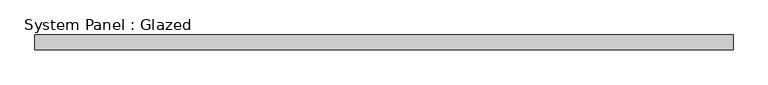
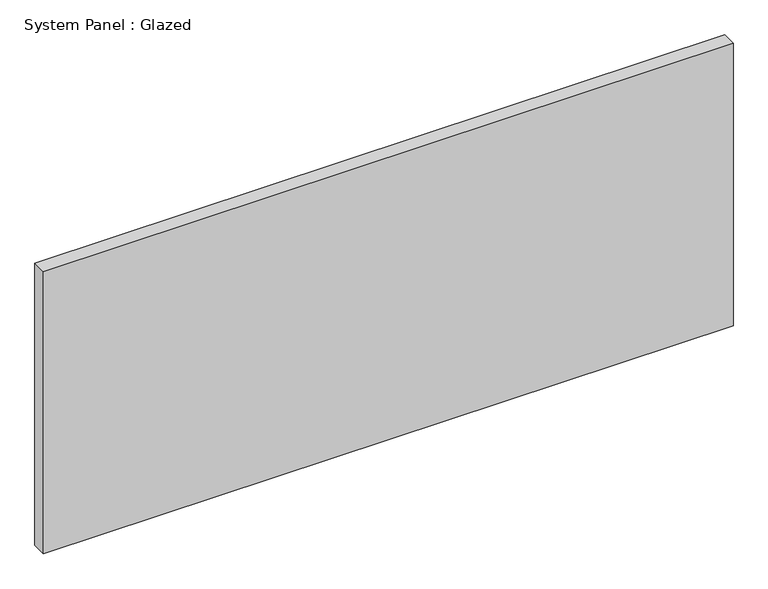
"""IFC4 building model written with IfcOpenShell, lengths in millimetres: plate geometry, System Panel : Glazed."""

from ifc_helpers import new_model, si_unit, origin, origin_with_axes, place, context, project, spatial, polyline, outline, extrude, source, transform, mapped, element, save


def system_panel_glazed_7abbff4e(model_context):
    return source(origin(), model_context, "Body", "SweptSolid", [
        extrude(outline(polyline([(594.51875, 19.05), (-594.51875, 19.05), (-594.51875, 44.45), (594.51875, 44.45), (594.51875, 19.05)])), origin_with_axes(), (0.0, 0.0, 1.0), 514.35),
    ])


if __name__ == "__main__":
    model = new_model("IFC4")
    model_context = context("Model", 3, world=origin())
    ifc_project = project(units=[si_unit("LENGTHUNIT", "METRE", prefix="MILLI")], contexts=[model_context])
    site = spatial("IfcSite", under=ifc_project)
    building = spatial("IfcBuilding", under=site)
    placement = place(None, origin())
    system_panel_glazed_shape = system_panel_glazed_7abbff4e(model_context)
    element("IfcPlate", 1, ObjectType="System Panel : Glazed", at=placement, inside=building, context=model_context, shape_type="MappedRepresentation", body=[
        mapped(system_panel_glazed_shape, transform((0.0, 0.0, 0.0), x_axis=(1.0, 0.0, 0.0), y_axis=(0.0, 1.0, 0.0), z_axis=(0.0, 0.0, 1.0))),
    ])
    save(model, "model.ifc")
